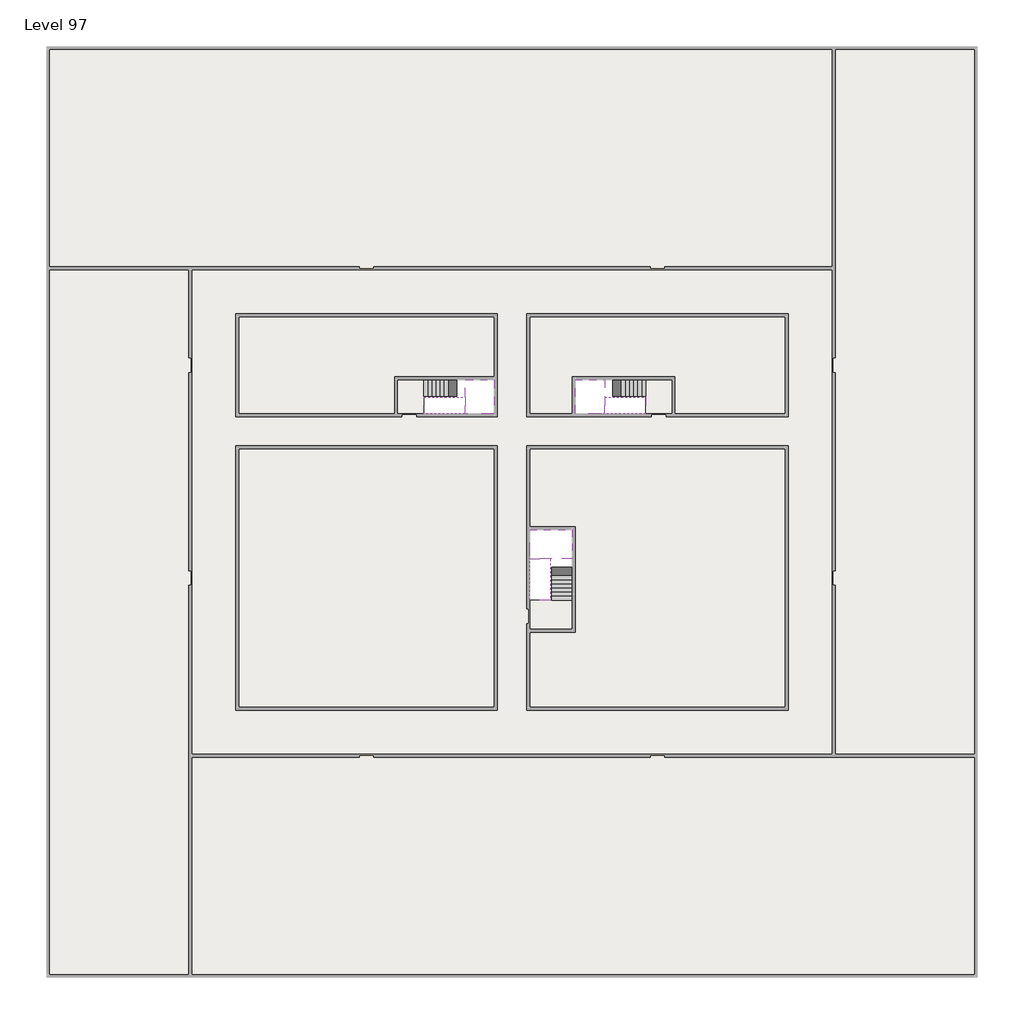
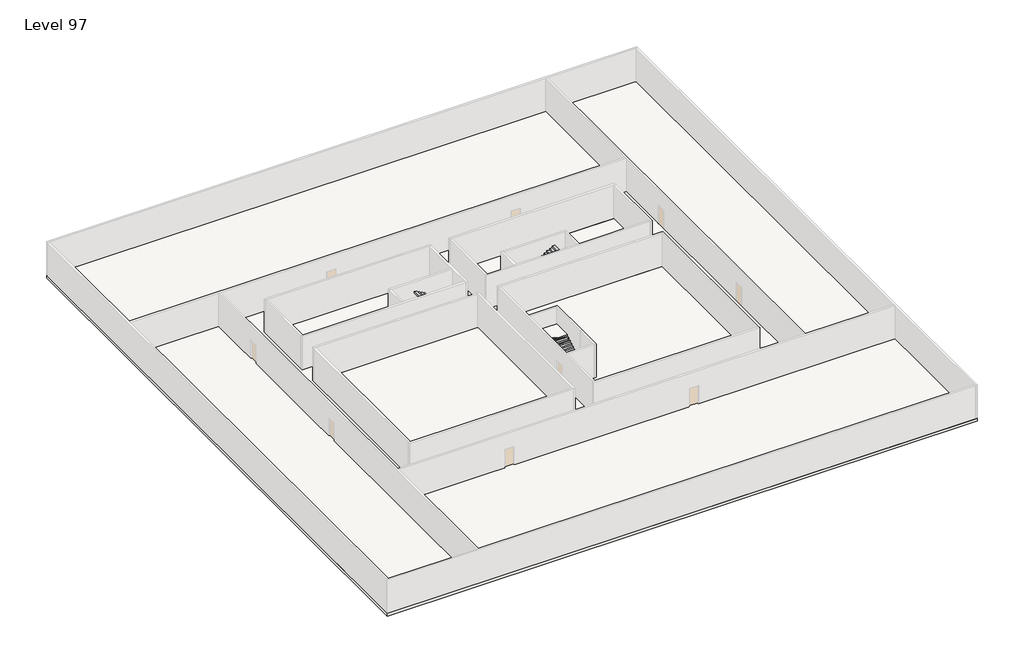
# One storey, part 2 of 2: 6 slabs, 6 stair flights.
"""IFC4 building model written with IfcOpenShell, lengths in millimetres."""

import ifcopenshell
import ifcopenshell.guid

model = None  # the IFC model being written
_history = None  # IfcOwnerHistory: only IFC2X3 demands one
_inside = {}  # id of a spatial element -> (the spatial element, [elements in it])
_under = {}  # id of a project, library or spatial element -> (it, [spatial elements below it])
_declared = {}  # id of a project -> (the project, [libraries it declares])
_typed = {}  # id of a type object -> (the type object, [elements of that type])
_made_of = {}  # id of a material, layer set ... -> (it, [elements and type objects made of it])


def new_model(schema):
    """Start an empty IFC model of exactly this schema.

    Asked for "IFC4X3", IfcOpenShell would pick the latest addendum, in which some entities
    have other attributes; the version numbers below select the first issue.
    IFC2X3 requires an IfcOwnerHistory on every rooted entity: one is made here for all.
    """
    global model, _history
    if schema == "IFC4X3":
        model = ifcopenshell.file(schema_version=(4, 3, 0, 0))
    else:
        model = ifcopenshell.file(schema=schema)
    _inside.clear()
    _under.clear()
    _declared.clear()
    _typed.clear()
    _made_of.clear()
    _history = None
    if model.schema == "IFC2X3":
        org = make("IfcOrganization", Name="unknown")
        user = make(
            "IfcPersonAndOrganization",
            ThePerson=make("IfcPerson", FamilyName="unknown"),
            TheOrganization=org,
        )
        app = make(
            "IfcApplication",
            ApplicationDeveloper=org,
            Version="unknown",
            ApplicationFullName="unknown",
            ApplicationIdentifier="unknown",
        )
        _history = make(
            "IfcOwnerHistory",
            OwningUser=user,
            OwningApplication=app,
            ChangeAction="ADDED",
            CreationDate=0,
        )
    return model


def make(cls, **values):
    """One entity of the class cls with the attributes given. An attribute that is None is left unset."""
    return model.create_entity(
        cls, **{name: value for name, value in values.items() if value is not None}
    )


def rooted(cls, **values):
    """An entity with a GlobalId (a new one), such as an element, a storey or a relation."""
    return make(cls, GlobalId=ifcopenshell.guid.new(), OwnerHistory=_history, **values)


def si_unit(unit_type, name, prefix=None):
    """IfcSIUnit, for example si_unit("LENGTHUNIT", "METRE", prefix="MILLI")."""
    return make("IfcSIUnit", UnitType=unit_type, Prefix=prefix, Name=name)


def assignment(units):
    """IfcUnitAssignment: the units of a project."""
    return None if units is None else make("IfcUnitAssignment", Units=units)


def point(xyz):
    """IfcCartesianPoint."""
    return None if xyz is None else make("IfcCartesianPoint", Coordinates=xyz)


def direction(xyz):
    """IfcDirection."""
    return None if xyz is None else make("IfcDirection", DirectionRatios=xyz)


def frame(location, z_axis=None, x_axis=None):
    """IfcAxis2Placement3D, a coordinate frame: its origin and axes. An axis left out is left unset."""
    return make(
        "IfcAxis2Placement3D",
        Location=point(location),
        Axis=direction(z_axis),
        RefDirection=direction(x_axis),
    )


def origin():
    """The frame at (0, 0, 0) with its axes left unset."""
    return frame((0.0, 0.0, 0.0))


def place(relative_to, where):
    """IfcLocalPlacement: puts the frame where relative to a parent placement (None: the world)."""
    return make(
        "IfcLocalPlacement", PlacementRelTo=relative_to, RelativePlacement=where
    )


def context(
    kind, dimensions, precision=None, world=None, true_north=None, identifier=None
):
    """IfcGeometricRepresentationContext, for example the 3D "Model" context."""
    return make(
        "IfcGeometricRepresentationContext",
        ContextIdentifier=identifier,
        ContextType=kind,
        CoordinateSpaceDimension=dimensions,
        Precision=precision,
        WorldCoordinateSystem=world,
        TrueNorth=true_north,
    )


def project(units=None, contexts=None):
    """IfcProject with its units and contexts."""
    return rooted(
        "IfcProject",
        Name="project",
        RepresentationContexts=contexts,
        UnitsInContext=assignment(units),
    )


def spatial(cls, under=None, at=None, **own):
    """A site, building, storey or space (cls), placed at a placement, below another one or the project."""
    s = rooted(cls, ObjectPlacement=at, **own)
    if under is not None:
        _under.setdefault(under.id(), (under, []))[1].append(s)
    return s


def polyline(points):
    """IfcPolyline through the points."""
    return make("IfcPolyline", Points=[point(p) for p in points])


def outline(outer, holes=None, kind="AREA"):
    """IfcArbitraryClosedProfileDef: a profile drawn as a closed curve; with holes, ...WithVoids."""
    if holes is None:
        return make("IfcArbitraryClosedProfileDef", ProfileType=kind, OuterCurve=outer)
    return make(
        "IfcArbitraryProfileDefWithVoids",
        ProfileType=kind,
        OuterCurve=outer,
        InnerCurves=holes,
    )


def extrude(swept, where, along, depth):
    """IfcExtrudedAreaSolid: the profile swept, set in the frame where, extruded along a direction by depth."""
    return make(
        "IfcExtrudedAreaSolid",
        SweptArea=swept,
        Position=where,
        ExtrudedDirection=direction(along),
        Depth=depth,
    )


def faces_of(points, faces, orient=None, outer=None):
    """IfcFace entities. A face is a list of loops; a loop is a list of indices into points, from 0.

    orient and outer hold one flag for each loop. By default every Orientation is true, the
    first loop of a face is its IfcFaceOuterBound and the others are IfcFaceBound.
    """
    made = []
    for i, loops in enumerate(faces):
        bounds = []
        for j, loop in enumerate(loops):
            is_outer = j == 0 if outer is None else outer[i][j]
            bounds.append(
                make(
                    "IfcFaceOuterBound" if is_outer else "IfcFaceBound",
                    Bound=make("IfcPolyLoop", Polygon=[points[k] for k in loop]),
                    Orientation=True if orient is None else orient[i][j],
                )
            )
        made.append(make("IfcFace", Bounds=bounds))
    return made


def faceted_brep(points, faces, orient=None, outer=None, voids=None):
    """IfcFacetedBrep: a solid bounded by flat faces; with voids (closed shells), ...WithVoids."""
    shared = [point(p) for p in points]
    hull = make("IfcClosedShell", CfsFaces=faces_of(shared, faces, orient, outer))
    if voids is None:
        return make("IfcFacetedBrep", Outer=hull)
    return make(
        "IfcFacetedBrepWithVoids",
        Outer=hull,
        Voids=[
            make(cls, CfsFaces=faces_of(shared, fs, o, b)) for cls, fs, o, b in voids
        ],
    )


def shape(context_of_items, identifier, shape_type, items):
    """IfcShapeRepresentation: the items that make up one representation, for example the "Body"."""
    return make(
        "IfcShapeRepresentation",
        ContextOfItems=context_of_items,
        RepresentationIdentifier=identifier,
        RepresentationType=shape_type,
        Items=items,
    )


def made_of(thing, what):
    """Note that an element or type object is made of a material, layer set ...; save() writes the relation."""
    if what is not None:
        _made_of.setdefault(what.id(), (what, []))[1].append(thing)
    return thing


def element(
    cls,
    number,
    at=None,
    inside=None,
    cuts=None,
    type_object=None,
    material=None,
    context=None,
    identifier="Body",
    shape_type=None,
    held_by="IfcProductDefinitionShape",
    body=None,
    shapes=None,
    **own,
):
    """One element of the class cls, such as IfcWall. Its Tag is "e" and its number.

    at: its placement. inside: the storey or other place that contains it. cuts: it is an
    opening in that element (IfcRelVoidsElement). A single representation is given by context,
    identifier, shape_type and body (its items); several are given by shapes. held_by: the class
    of the entity that holds the representations. save() writes the other relations.
    """
    e = rooted(cls, Tag="e%d" % number, ObjectPlacement=at, **own)
    if body is not None:
        shapes = [shape(context, identifier, shape_type, body)]
    if shapes is not None:
        e.Representation = make(held_by, Representations=shapes)
    if inside is not None:
        _inside.setdefault(inside.id(), (inside, []))[1].append(e)
    if cuts is not None:
        rooted(
            "IfcRelVoidsElement", RelatingBuildingElement=cuts, RelatedOpeningElement=e
        )
    if type_object is not None:
        _typed.setdefault(type_object.id(), (type_object, []))[1].append(e)
    return made_of(e, material)


def aggregate(whole, parts):
    """IfcRelAggregates: a whole, such as a stair, and the parts it consists of."""
    return rooted("IfcRelAggregates", RelatingObject=whole, RelatedObjects=parts)


def save(model, path):
    """Write the relations noted so far, then the file.

    IfcRelAggregates (storeys below a building ...), IfcRelContainedInSpatialStructure (elements
    in a storey), IfcRelDefinesByType, IfcRelAssociatesMaterial and IfcRelDeclares: one each for
    every whole, place, type object, material and project.
    """
    for whole, parts in _under.values():
        aggregate(whole, parts)
    for where, things in _inside.values():
        rooted(
            "IfcRelContainedInSpatialStructure",
            RelatedElements=things,
            RelatingStructure=where,
        )
    for kind, things in _typed.values():
        rooted("IfcRelDefinesByType", RelatedObjects=things, RelatingType=kind)
    for what, things in _made_of.values():
        rooted("IfcRelAssociatesMaterial", RelatedObjects=things, RelatingMaterial=what)
    for by, libraries in _declared.values():
        rooted("IfcRelDeclares", RelatingContext=by, RelatedDefinitions=libraries)
    model.write(path)


model = new_model("IFC4")

# Units and contexts
model_context = context("Model", 3, world=origin())
ifc_project = project(units=[si_unit("LENGTHUNIT", "METRE", prefix="MILLI")], contexts=[model_context])

# Site, building, storey
site = spatial("IfcSite", under=ifc_project)
building = spatial("IfcBuilding", under=site)
storey = spatial("IfcBuildingStorey", under=building, Name="Level 97", Elevation=364800.0)

# Slabs
placement = place(None, origin())
element("IfcSlab", 1, at=placement, inside=storey, context=model_context, shape_type="SweptSolid", body=[
    extrude(outline(polyline([(55890.1058784, -5518.09644), (55890.1058784, -68918.09644), (-7509.8941216, -68918.09644), (-7509.8941216, -5518.09644), (55890.1058784, -5518.09644)]), holes=[polyline([(22990.1058784, -23918.09644), (5590.1058784, -23918.09644), (5590.1058784, -30518.09644), (22990.1058784, -30518.09644), (22990.1058784, -23918.09644)]), polyline([(42990.1058784, -23918.09644), (25390.1058784, -23918.09644), (25390.1058784, -30518.09644), (42990.1058784, -30518.09644), (42990.1058784, -23918.09644)]), polyline([(25390.1058784, -50518.09644), (42790.1058784, -50518.09644), (42790.1058784, -32918.09644), (25390.1058784, -32918.09644), (25390.1058784, -50518.09644)]), polyline([(22990.1058784, -32918.09644), (5590.1058784, -32918.09644), (5590.1058784, -50518.09644), (22990.1058784, -50518.09644), (22990.1058784, -32918.09644)])]), frame((0.0, 0.0, 364500.0), z_axis=(0.0, 0.0, 1.0), x_axis=(1.0, 0.0, 0.0)), (0.0, 0.0, 1.0), 300.0),
])
element("IfcSlab", 2, at=placement, inside=storey, context=model_context, shape_type="SweptSolid", body=[
    extrude(outline(polyline([(22990.1058784, -23918.09644), (22990.1058784, -28018.09644), (16190.1058784, -28018.09644), (16190.1058784, -30518.09644), (5590.1058784, -30518.09644), (5590.1058784, -23918.09644), (22990.1058784, -23918.09644)])), frame((0.0, 0.0, 364500.0), z_axis=(0.0, 0.0, 1.0), x_axis=(1.0, 0.0, 0.0)), (0.0, 0.0, 1.0), 300.0),
    extrude(outline(polyline([(42790.1058784, -23918.09644), (42790.1058784, -30518.09644), (35290.1058784, -30518.09644), (35290.1058784, -28018.09644), (28490.1058784, -28018.09644), (28490.1058784, -30518.09644), (25390.1058784, -30518.09644), (25390.1058784, -23918.09644), (42790.1058784, -23918.09644)])), frame((0.0, 0.0, 364500.0), z_axis=(0.0, 0.0, 1.0), x_axis=(1.0, 0.0, 0.0)), (0.0, 0.0, 1.0), 300.0),
    extrude(outline(polyline([(22990.1058784, -32918.09644), (22990.1058784, -50518.09644), (5590.1058784, -50518.09644), (5590.1058784, -32918.09644), (22990.1058784, -32918.09644)])), frame((0.0, 0.0, 364500.0), z_axis=(0.0, 0.0, 1.0), x_axis=(1.0, 0.0, 0.0)), (0.0, 0.0, 1.0), 300.0),
    extrude(outline(polyline([(25390.1058784, -38218.09644), (25390.1058784, -32918.09644), (42790.1058784, -32918.09644), (42790.1058784, -50518.09644), (25390.1058784, -50518.09644), (25390.1058784, -45418.09644), (28490.1058784, -45418.09644), (28490.1058784, -38218.09644), (25390.1058784, -38218.09644)])), frame((0.0, 0.0, 364500.0), z_axis=(0.0, 0.0, 1.0), x_axis=(1.0, 0.0, 0.0)), (0.0, 0.0, 1.0), 300.0),
])
element("IfcSlab", 3, at=placement, inside=storey, context=model_context, shape_type="Brep", body=[
    faceted_brep([(26890.1058784, -40418.09644, 366700.0), (28290.1058784, -40418.09644, 366700.0), (28290.1058784, -40338.7100038, 366700.0), (28290.1058784, -38418.09644, 366700.0), (25390.1058784, -38418.09644, 366700.0), (25390.1058784, -40217.4828763, 366700.0), (25390.1058784, -40418.09644, 366700.0), (26790.1058784, -40418.09644, 366700.0), (26890.1058784, -40418.09644, 366400.0), (26890.1058784, -40418.09644, 366351.0278478), (28290.1058784, -40418.09644, 366351.0278478), (28290.1058784, -40418.09644, 366527.2727273), (28290.1058784, -40338.7100038, 366400.0), (28290.1058784, -38418.09644, 366400.0), (25390.1058784, -38418.09644, 366400.0), (25390.1058784, -40217.4828763, 366400.0), (25390.1058784, -40418.09644, 366523.7551205), (26790.1058784, -40418.09644, 366523.7551205), (26790.1058784, -40418.09644, 366400.0), (26790.1058784, -40217.4828763, 366400.0), (26890.1058784, -40338.7100038, 366400.0)], [[[0, 1, 2, 3, 4, 5, 6, 7]], [[1, 0, 8, 9, 10, 11]], [[1, 11, 10, 12, 13, 3, 2]], [[4, 3, 13, 14]], [[4, 14, 15, 16, 6, 5]], [[7, 6, 16, 17]], [[0, 7, 17, 18, 8]], [[18, 19, 15, 14, 13, 12, 20, 8]], [[19, 18, 17]], [[20, 12, 10, 9]], [[8, 20, 9]], [[15, 19, 17, 16]]]),
])
element("IfcSlab", 4, at=placement, inside=storey, context=model_context, shape_type="Brep", body=[
    faceted_brep([(20990.1058784, -28218.09644, 366700.0), (20990.1058784, -29318.09644, 366700.0), (20990.1058784, -29418.09644, 366700.0), (20990.1058784, -30518.09644, 366700.0), (21190.7194421, -30518.09644, 366700.0), (22990.1058784, -30518.09644, 366700.0), (22990.1058784, -28218.09644, 366700.0), (21069.4923146, -28218.09644, 366700.0), (20990.1058784, -28218.09644, 366527.2727273), (20990.1058784, -28218.09644, 366351.0278478), (20990.1058784, -29318.09644, 366351.0278478), (20990.1058784, -29318.09644, 366400.0), (20990.1058784, -29418.09644, 366400.0), (20990.1058784, -29418.09644, 366523.7551205), (20990.1058784, -30518.09644, 366523.7551205), (21190.7194421, -30518.09644, 366400.0), (22990.1058784, -30518.09644, 366400.0), (22990.1058784, -28218.09644, 366400.0), (21069.4923146, -28218.09644, 366400.0), (21190.7194421, -29418.09644, 366400.0), (21069.4923146, -29318.09644, 366400.0)], [[[0, 1, 2, 3, 4, 5, 6, 7]], [[1, 0, 8, 9, 10, 11]], [[2, 1, 11, 12, 13]], [[3, 2, 13, 14]], [[3, 14, 15, 16, 5, 4]], [[6, 5, 16, 17]], [[9, 8, 0, 7, 6, 17, 18]], [[19, 12, 11, 20, 18, 17, 16, 15]], [[12, 19, 13]], [[18, 20, 10, 9]], [[20, 11, 10]], [[19, 15, 14, 13]]]),
])
element("IfcSlab", 5, at=placement, inside=storey, context=model_context, shape_type="Brep", body=[
    faceted_brep([(30490.1058784, -29318.09644, 366700.0), (30490.1058784, -28218.09644, 366700.0), (30410.7194421, -28218.09644, 366700.0), (28490.1058784, -28218.09644, 366700.0), (28490.1058784, -30518.09644, 366700.0), (30289.4923146, -30518.09644, 366700.0), (30490.1058784, -30518.09644, 366700.0), (30490.1058784, -29418.09644, 366700.0), (30490.1058784, -29318.09644, 366400.0), (30490.1058784, -29318.09644, 366351.0278478), (30490.1058784, -28218.09644, 366351.0278478), (30490.1058784, -28218.09644, 366527.2727273), (30490.1058784, -29418.09644, 366523.7551205), (30490.1058784, -29418.09644, 366400.0), (30490.1058784, -30518.09644, 366523.7551205), (28490.1058784, -30518.09644, 366400.0), (30289.4923146, -30518.09644, 366400.0), (28490.1058784, -28218.09644, 366400.0), (30410.7194421, -28218.09644, 366400.0), (30289.4923146, -29418.09644, 366400.0), (30410.7194421, -29318.09644, 366400.0)], [[[0, 1, 2, 3, 4, 5, 6, 7]], [[1, 0, 8, 9, 10, 11]], [[0, 7, 12, 13, 8]], [[7, 6, 14, 12]], [[4, 15, 16, 14, 6, 5]], [[4, 3, 17, 15]], [[1, 11, 10, 18, 17, 3, 2]], [[13, 19, 16, 15, 17, 18, 20, 8]], [[20, 18, 10, 9]], [[8, 20, 9]], [[16, 19, 12, 14]], [[19, 13, 12]]]),
])
element("IfcSlab", 6, at=placement, inside=storey, context=model_context, shape_type="SweptSolid", body=[
    extrude(outline(polyline([(35090.1058784, -28218.09644), (35090.1058784, -30518.09644), (33290.1058784, -30518.09644), (33290.1058784, -28218.09644), (35090.1058784, -28218.09644)])), frame((0.0, 0.0, 364500.0), z_axis=(0.0, 0.0, 1.0), x_axis=(1.0, 0.0, 0.0)), (0.0, 0.0, 1.0), 300.0),
    extrude(outline(polyline([(18190.1058784, -28218.09644), (18190.1058784, -30518.09644), (16390.1058784, -30518.09644), (16390.1058784, -28218.09644), (18190.1058784, -28218.09644)])), frame((0.0, 0.0, 364500.0), z_axis=(0.0, 0.0, 1.0), x_axis=(1.0, 0.0, 0.0)), (0.0, 0.0, 1.0), 300.0),
    extrude(outline(polyline([(28290.1058784, -43218.09644), (28290.1058784, -45218.09644), (25390.1058784, -45218.09644), (25390.1058784, -43218.09644), (28290.1058784, -43218.09644)])), frame((0.0, 0.0, 364500.0), z_axis=(0.0, 0.0, 1.0), x_axis=(1.0, 0.0, 0.0)), (0.0, 0.0, 1.0), 300.0),
])

# Stair flights
element("IfcStairFlight", 7, at=placement, inside=storey, context=model_context, shape_type="Brep", body=[
    faceted_brep([(26890.1058784, -42938.09644, 364972.7272727), (26890.1058784, -43218.09644, 364972.7272727), (28290.1058784, -43218.09644, 364972.7272727), (28290.1058784, -42938.09644, 364972.7272727), (26890.1058784, -42938.09644, 364800.0), (26890.1058784, -43218.09644, 364800.0), (28290.1058784, -43218.09644, 364800.0), (28290.1058784, -42938.09644, 364800.0), (26890.1058784, -42658.09644, 365145.4545455), (26890.1058784, -42938.09644, 365145.4545455), (28290.1058784, -42938.09644, 365145.4545455), (28290.1058784, -42658.09644, 365145.4545455), (26890.1058784, -42658.09644, 364969.209666), (26890.1058784, -42932.3942143, 364800.0), (28290.1058784, -42932.3942143, 364800.0), (28290.1058784, -42658.09644, 364969.209666), (26890.1058784, -42378.09644, 365318.1818182), (26890.1058784, -42658.09644, 365318.1818182), (28290.1058784, -42658.09644, 365318.1818182), (28290.1058784, -42378.09644, 365318.1818182), (26890.1058784, -42378.09644, 365141.9369387), (28290.1058784, -42378.09644, 365141.9369387), (26890.1058784, -42098.09644, 365490.9090909), (26890.1058784, -42378.09644, 365490.9090909), (28290.1058784, -42378.09644, 365490.9090909), (28290.1058784, -42098.09644, 365490.9090909), (26890.1058784, -42098.09644, 365314.6642114), (28290.1058784, -42098.09644, 365314.6642114), (26890.1058784, -41818.09644, 365663.6363636), (26890.1058784, -42098.09644, 365663.6363636), (28290.1058784, -42098.09644, 365663.6363636), (28290.1058784, -41818.09644, 365663.6363636), (26890.1058784, -41818.09644, 365487.3914841), (28290.1058784, -41818.09644, 365487.3914841), (26890.1058784, -41538.09644, 365836.3636364), (26890.1058784, -41818.09644, 365836.3636364), (28290.1058784, -41818.09644, 365836.3636364), (28290.1058784, -41538.09644, 365836.3636364), (26890.1058784, -41538.09644, 365660.1187569), (28290.1058784, -41538.09644, 365660.1187569), (26890.1058784, -41258.09644, 366009.0909091), (26890.1058784, -41538.09644, 366009.0909091), (28290.1058784, -41538.09644, 366009.0909091), (28290.1058784, -41258.09644, 366009.0909091), (26890.1058784, -41258.09644, 365832.8460296), (28290.1058784, -41258.09644, 365832.8460296), (26890.1058784, -40978.09644, 366181.8181818), (26890.1058784, -41258.09644, 366181.8181818), (28290.1058784, -41258.09644, 366181.8181818), (28290.1058784, -40978.09644, 366181.8181818), (26890.1058784, -40978.09644, 366005.5733023), (28290.1058784, -40978.09644, 366005.5733023), (26890.1058784, -40698.09644, 366354.5454545), (26890.1058784, -40978.09644, 366354.5454545), (28290.1058784, -40978.09644, 366354.5454545), (28290.1058784, -40698.09644, 366354.5454545), (26890.1058784, -40698.09644, 366178.3005751), (28290.1058784, -40698.09644, 366178.3005751), (26890.1058784, -40418.09644, 366527.2727273), (26890.1058784, -40698.09644, 366527.2727273), (28290.1058784, -40698.09644, 366527.2727273), (28290.1058784, -40418.09644, 366527.2727273), (26890.1058784, -40418.09644, 366400.0), (26890.1058784, -40418.09644, 366351.0278478), (28290.1058784, -40418.09644, 366351.0278478)], [[[0, 1, 2, 3]], [[1, 0, 4, 5]], [[2, 1, 5, 6]], [[3, 2, 6, 7]], [[8, 9, 10, 11]], [[4, 0, 9, 8, 12, 13]], [[0, 3, 10, 9]], [[3, 7, 14, 15, 11, 10]], [[16, 17, 18, 19]], [[17, 16, 20, 12, 8]], [[8, 11, 18, 17]], [[19, 18, 11, 15, 21]], [[22, 23, 24, 25]], [[23, 22, 26, 20, 16]], [[16, 19, 24, 23]], [[25, 24, 19, 21, 27]], [[28, 29, 30, 31]], [[29, 28, 32, 26, 22]], [[22, 25, 30, 29]], [[31, 30, 25, 27, 33]], [[34, 35, 36, 37]], [[35, 34, 38, 32, 28]], [[28, 31, 36, 35]], [[37, 36, 31, 33, 39]], [[40, 41, 42, 43]], [[41, 40, 44, 38, 34]], [[34, 37, 42, 41]], [[43, 42, 37, 39, 45]], [[46, 47, 48, 49]], [[47, 46, 50, 44, 40]], [[40, 43, 48, 47]], [[49, 48, 43, 45, 51]], [[52, 53, 54, 55]], [[53, 52, 56, 50, 46]], [[46, 49, 54, 53]], [[55, 54, 49, 51, 57]], [[58, 59, 60, 61]], [[59, 58, 62, 63, 56, 52]], [[52, 55, 60, 59]], [[61, 60, 55, 57, 64]], [[58, 61, 64, 63, 62]], [[5, 4, 13, 14, 7, 6]], [[14, 13, 12, 20, 26, 32, 38, 44, 50, 56, 63, 64, 57, 51, 45, 39, 33, 27, 21, 15]]]),
])
element("IfcStairFlight", 8, at=placement, inside=storey, context=model_context, shape_type="Brep", body=[
    faceted_brep([(26790.1058784, -40698.09644, 366872.7272727), (26790.1058784, -40418.09644, 366872.7272727), (25390.1058784, -40418.09644, 366872.7272727), (25390.1058784, -40698.09644, 366872.7272727), (26790.1058784, -40698.09644, 366696.4823932), (26790.1058784, -40418.09644, 366523.7551205), (25390.1058784, -40418.09644, 366523.7551205), (25390.1058784, -40418.09644, 366700.0), (25390.1058784, -40698.09644, 366696.4823932), (26790.1058784, -40978.09644, 367045.4545455), (26790.1058784, -40698.09644, 367045.4545455), (25390.1058784, -40698.09644, 367045.4545455), (25390.1058784, -40978.09644, 367045.4545455), (26790.1058784, -40978.09644, 366869.209666), (25390.1058784, -40978.09644, 366869.209666), (26790.1058784, -41258.09644, 367218.1818182), (26790.1058784, -40978.09644, 367218.1818182), (25390.1058784, -40978.09644, 367218.1818182), (25390.1058784, -41258.09644, 367218.1818182), (26790.1058784, -41258.09644, 367041.9369387), (25390.1058784, -41258.09644, 367041.9369387), (26790.1058784, -41538.09644, 367390.9090909), (26790.1058784, -41258.09644, 367390.9090909), (25390.1058784, -41258.09644, 367390.9090909), (25390.1058784, -41538.09644, 367390.9090909), (26790.1058784, -41538.09644, 367214.6642114), (25390.1058784, -41538.09644, 367214.6642114), (26790.1058784, -41818.09644, 367563.6363636), (26790.1058784, -41538.09644, 367563.6363636), (25390.1058784, -41538.09644, 367563.6363636), (25390.1058784, -41818.09644, 367563.6363636), (26790.1058784, -41818.09644, 367387.3914841), (25390.1058784, -41818.09644, 367387.3914841), (26790.1058784, -42098.09644, 367736.3636364), (26790.1058784, -41818.09644, 367736.3636364), (25390.1058784, -41818.09644, 367736.3636364), (25390.1058784, -42098.09644, 367736.3636364), (26790.1058784, -42098.09644, 367560.1187569), (25390.1058784, -42098.09644, 367560.1187569), (26790.1058784, -42378.09644, 367909.0909091), (26790.1058784, -42098.09644, 367909.0909091), (25390.1058784, -42098.09644, 367909.0909091), (25390.1058784, -42378.09644, 367909.0909091), (26790.1058784, -42378.09644, 367732.8460296), (25390.1058784, -42378.09644, 367732.8460296), (26790.1058784, -42658.09644, 368081.8181818), (26790.1058784, -42378.09644, 368081.8181818), (25390.1058784, -42378.09644, 368081.8181818), (25390.1058784, -42658.09644, 368081.8181818), (26790.1058784, -42658.09644, 367905.5733023), (25390.1058784, -42658.09644, 367905.5733023), (26790.1058784, -42938.09644, 368254.5454545), (26790.1058784, -42658.09644, 368254.5454545), (25390.1058784, -42658.09644, 368254.5454545), (25390.1058784, -42938.09644, 368254.5454545), (26790.1058784, -42938.09644, 368078.3005751), (25390.1058784, -42938.09644, 368078.3005751), (26790.1058784, -43218.09644, 368427.2727273), (26790.1058784, -42938.09644, 368427.2727273), (25390.1058784, -42938.09644, 368427.2727273), (25390.1058784, -43218.09644, 368427.2727273), (26790.1058784, -43218.09644, 368251.0278478), (25390.1058784, -43218.09644, 368251.0278478)], [[[0, 1, 2, 3]], [[1, 0, 4, 5]], [[2, 1, 5, 6, 7]], [[3, 2, 7, 6, 8]], [[9, 10, 11, 12]], [[10, 9, 13, 4, 0]], [[11, 10, 0, 3]], [[12, 11, 3, 8, 14]], [[15, 16, 17, 18]], [[16, 15, 19, 13, 9]], [[17, 16, 9, 12]], [[18, 17, 12, 14, 20]], [[21, 22, 23, 24]], [[22, 21, 25, 19, 15]], [[23, 22, 15, 18]], [[24, 23, 18, 20, 26]], [[27, 28, 29, 30]], [[28, 27, 31, 25, 21]], [[29, 28, 21, 24]], [[30, 29, 24, 26, 32]], [[33, 34, 35, 36]], [[34, 33, 37, 31, 27]], [[35, 34, 27, 30]], [[36, 35, 30, 32, 38]], [[39, 40, 41, 42]], [[40, 39, 43, 37, 33]], [[41, 40, 33, 36]], [[42, 41, 36, 38, 44]], [[45, 46, 47, 48]], [[46, 45, 49, 43, 39]], [[47, 46, 39, 42]], [[48, 47, 42, 44, 50]], [[51, 52, 53, 54]], [[52, 51, 55, 49, 45]], [[53, 52, 45, 48]], [[54, 53, 48, 50, 56]], [[57, 58, 59, 60]], [[58, 57, 61, 55, 51]], [[59, 58, 51, 54]], [[60, 59, 54, 56, 62]], [[57, 60, 62, 61]], [[5, 4, 13, 19, 25, 31, 37, 43, 49, 55, 61, 62, 56, 50, 44, 38, 32, 26, 20, 14, 8, 6]]]),
])
element("IfcStairFlight", 9, at=placement, inside=storey, context=model_context, shape_type="Brep", body=[
    faceted_brep([(18470.1058784, -28218.09644, 364972.7272727), (18190.1058784, -28218.09644, 364972.7272727), (18190.1058784, -29318.09644, 364972.7272727), (18470.1058784, -29318.09644, 364972.7272727), (18470.1058784, -28218.09644, 364800.0), (18190.1058784, -28218.09644, 364800.0), (18190.1058784, -29318.09644, 364800.0), (18470.1058784, -29318.09644, 364800.0), (18750.1058784, -28218.09644, 365145.4545455), (18470.1058784, -28218.09644, 365145.4545455), (18470.1058784, -29318.09644, 365145.4545455), (18750.1058784, -29318.09644, 365145.4545455), (18750.1058784, -28218.09644, 364969.209666), (18475.8081041, -28218.09644, 364800.0), (18475.8081041, -29318.09644, 364800.0), (18750.1058784, -29318.09644, 364969.209666), (19030.1058784, -28218.09644, 365318.1818182), (18750.1058784, -28218.09644, 365318.1818182), (18750.1058784, -29318.09644, 365318.1818182), (19030.1058784, -29318.09644, 365318.1818182), (19030.1058784, -28218.09644, 365141.9369387), (19030.1058784, -29318.09644, 365141.9369387), (19310.1058784, -28218.09644, 365490.9090909), (19030.1058784, -28218.09644, 365490.9090909), (19030.1058784, -29318.09644, 365490.9090909), (19310.1058784, -29318.09644, 365490.9090909), (19310.1058784, -28218.09644, 365314.6642114), (19310.1058784, -29318.09644, 365314.6642114), (19590.1058784, -28218.09644, 365663.6363636), (19310.1058784, -28218.09644, 365663.6363636), (19310.1058784, -29318.09644, 365663.6363636), (19590.1058784, -29318.09644, 365663.6363636), (19590.1058784, -28218.09644, 365487.3914841), (19590.1058784, -29318.09644, 365487.3914841), (19870.1058784, -28218.09644, 365836.3636364), (19590.1058784, -28218.09644, 365836.3636364), (19590.1058784, -29318.09644, 365836.3636364), (19870.1058784, -29318.09644, 365836.3636364), (19870.1058784, -28218.09644, 365660.1187569), (19870.1058784, -29318.09644, 365660.1187569), (20150.1058784, -28218.09644, 366009.0909091), (19870.1058784, -28218.09644, 366009.0909091), (19870.1058784, -29318.09644, 366009.0909091), (20150.1058784, -29318.09644, 366009.0909091), (20150.1058784, -28218.09644, 365832.8460296), (20150.1058784, -29318.09644, 365832.8460296), (20430.1058784, -28218.09644, 366181.8181818), (20150.1058784, -28218.09644, 366181.8181818), (20150.1058784, -29318.09644, 366181.8181818), (20430.1058784, -29318.09644, 366181.8181818), (20430.1058784, -28218.09644, 366005.5733023), (20430.1058784, -29318.09644, 366005.5733023), (20710.1058784, -28218.09644, 366354.5454545), (20430.1058784, -28218.09644, 366354.5454545), (20430.1058784, -29318.09644, 366354.5454545), (20710.1058784, -29318.09644, 366354.5454545), (20710.1058784, -28218.09644, 366178.3005751), (20710.1058784, -29318.09644, 366178.3005751), (20990.1058784, -28218.09644, 366527.2727273), (20710.1058784, -28218.09644, 366527.2727273), (20710.1058784, -29318.09644, 366527.2727273), (20990.1058784, -29318.09644, 366527.2727273), (20990.1058784, -28218.09644, 366351.0278478), (20990.1058784, -29318.09644, 366351.0278478), (20990.1058784, -29318.09644, 366400.0)], [[[0, 1, 2, 3]], [[1, 0, 4, 5]], [[2, 1, 5, 6]], [[3, 2, 6, 7]], [[8, 9, 10, 11]], [[4, 0, 9, 8, 12, 13]], [[0, 3, 10, 9]], [[3, 7, 14, 15, 11, 10]], [[16, 17, 18, 19]], [[17, 16, 20, 12, 8]], [[8, 11, 18, 17]], [[19, 18, 11, 15, 21]], [[22, 23, 24, 25]], [[23, 22, 26, 20, 16]], [[16, 19, 24, 23]], [[25, 24, 19, 21, 27]], [[28, 29, 30, 31]], [[29, 28, 32, 26, 22]], [[22, 25, 30, 29]], [[31, 30, 25, 27, 33]], [[34, 35, 36, 37]], [[35, 34, 38, 32, 28]], [[28, 31, 36, 35]], [[37, 36, 31, 33, 39]], [[40, 41, 42, 43]], [[41, 40, 44, 38, 34]], [[34, 37, 42, 41]], [[43, 42, 37, 39, 45]], [[46, 47, 48, 49]], [[47, 46, 50, 44, 40]], [[40, 43, 48, 47]], [[49, 48, 43, 45, 51]], [[52, 53, 54, 55]], [[53, 52, 56, 50, 46]], [[46, 49, 54, 53]], [[55, 54, 49, 51, 57]], [[58, 59, 60, 61]], [[59, 58, 62, 56, 52]], [[52, 55, 60, 59]], [[61, 60, 55, 57, 63, 64]], [[58, 61, 64, 63, 62]], [[5, 4, 13, 14, 7, 6]], [[14, 13, 12, 20, 26, 32, 38, 44, 50, 56, 62, 63, 57, 51, 45, 39, 33, 27, 21, 15]]]),
])
element("IfcStairFlight", 10, at=placement, inside=storey, context=model_context, shape_type="Brep", body=[
    faceted_brep([(20710.1058784, -30518.09644, 366872.7272727), (20990.1058784, -30518.09644, 366872.7272727), (20990.1058784, -29418.09644, 366872.7272727), (20710.1058784, -29418.09644, 366872.7272727), (20710.1058784, -30518.09644, 366696.4823932), (20990.1058784, -30518.09644, 366523.7551205), (20990.1058784, -30518.09644, 366700.0), (20990.1058784, -29418.09644, 366523.7551205), (20710.1058784, -29418.09644, 366696.4823932), (20430.1058784, -30518.09644, 367045.4545455), (20710.1058784, -30518.09644, 367045.4545455), (20710.1058784, -29418.09644, 367045.4545455), (20430.1058784, -29418.09644, 367045.4545455), (20430.1058784, -30518.09644, 366869.209666), (20430.1058784, -29418.09644, 366869.209666), (20150.1058784, -30518.09644, 367218.1818182), (20430.1058784, -30518.09644, 367218.1818182), (20430.1058784, -29418.09644, 367218.1818182), (20150.1058784, -29418.09644, 367218.1818182), (20150.1058784, -30518.09644, 367041.9369387), (20150.1058784, -29418.09644, 367041.9369387), (19870.1058784, -30518.09644, 367390.9090909), (20150.1058784, -30518.09644, 367390.9090909), (20150.1058784, -29418.09644, 367390.9090909), (19870.1058784, -29418.09644, 367390.9090909), (19870.1058784, -30518.09644, 367214.6642114), (19870.1058784, -29418.09644, 367214.6642114), (19590.1058784, -30518.09644, 367563.6363636), (19870.1058784, -30518.09644, 367563.6363636), (19870.1058784, -29418.09644, 367563.6363636), (19590.1058784, -29418.09644, 367563.6363636), (19590.1058784, -30518.09644, 367387.3914841), (19590.1058784, -29418.09644, 367387.3914841), (19310.1058784, -30518.09644, 367736.3636364), (19590.1058784, -30518.09644, 367736.3636364), (19590.1058784, -29418.09644, 367736.3636364), (19310.1058784, -29418.09644, 367736.3636364), (19310.1058784, -30518.09644, 367560.1187569), (19310.1058784, -29418.09644, 367560.1187569), (19030.1058784, -30518.09644, 367909.0909091), (19310.1058784, -30518.09644, 367909.0909091), (19310.1058784, -29418.09644, 367909.0909091), (19030.1058784, -29418.09644, 367909.0909091), (19030.1058784, -30518.09644, 367732.8460296), (19030.1058784, -29418.09644, 367732.8460296), (18750.1058784, -30518.09644, 368081.8181818), (19030.1058784, -30518.09644, 368081.8181818), (19030.1058784, -29418.09644, 368081.8181818), (18750.1058784, -29418.09644, 368081.8181818), (18750.1058784, -30518.09644, 367905.5733023), (18750.1058784, -29418.09644, 367905.5733023), (18470.1058784, -30518.09644, 368254.5454545), (18750.1058784, -30518.09644, 368254.5454545), (18750.1058784, -29418.09644, 368254.5454545), (18470.1058784, -29418.09644, 368254.5454545), (18470.1058784, -30518.09644, 368078.3005751), (18470.1058784, -29418.09644, 368078.3005751), (18190.1058784, -30518.09644, 368427.2727273), (18470.1058784, -30518.09644, 368427.2727273), (18470.1058784, -29418.09644, 368427.2727273), (18190.1058784, -29418.09644, 368427.2727273), (18190.1058784, -30518.09644, 368251.0278478), (18190.1058784, -29418.09644, 368251.0278478)], [[[0, 1, 2, 3]], [[1, 0, 4, 5, 6]], [[2, 1, 6, 5, 7]], [[3, 2, 7, 8]], [[9, 10, 11, 12]], [[10, 9, 13, 4, 0]], [[11, 10, 0, 3]], [[12, 11, 3, 8, 14]], [[15, 16, 17, 18]], [[16, 15, 19, 13, 9]], [[17, 16, 9, 12]], [[18, 17, 12, 14, 20]], [[21, 22, 23, 24]], [[22, 21, 25, 19, 15]], [[23, 22, 15, 18]], [[24, 23, 18, 20, 26]], [[27, 28, 29, 30]], [[28, 27, 31, 25, 21]], [[29, 28, 21, 24]], [[30, 29, 24, 26, 32]], [[33, 34, 35, 36]], [[34, 33, 37, 31, 27]], [[35, 34, 27, 30]], [[36, 35, 30, 32, 38]], [[39, 40, 41, 42]], [[40, 39, 43, 37, 33]], [[41, 40, 33, 36]], [[42, 41, 36, 38, 44]], [[45, 46, 47, 48]], [[46, 45, 49, 43, 39]], [[47, 46, 39, 42]], [[48, 47, 42, 44, 50]], [[51, 52, 53, 54]], [[52, 51, 55, 49, 45]], [[53, 52, 45, 48]], [[54, 53, 48, 50, 56]], [[57, 58, 59, 60]], [[58, 57, 61, 55, 51]], [[59, 58, 51, 54]], [[60, 59, 54, 56, 62]], [[57, 60, 62, 61]], [[5, 4, 13, 19, 25, 31, 37, 43, 49, 55, 61, 62, 56, 50, 44, 38, 32, 26, 20, 14, 8, 7]]]),
])
element("IfcStairFlight", 11, at=placement, inside=storey, context=model_context, shape_type="Brep", body=[
    faceted_brep([(33010.1058784, -29318.09644, 364972.7272727), (33290.1058784, -29318.09644, 364972.7272727), (33290.1058784, -28218.09644, 364972.7272727), (33010.1058784, -28218.09644, 364972.7272727), (33290.1058784, -28218.09644, 364800.0), (33010.1058784, -28218.09644, 364800.0), (33290.1058784, -29318.09644, 364800.0), (33010.1058784, -29318.09644, 364800.0), (32730.1058784, -29318.09644, 365145.4545455), (33010.1058784, -29318.09644, 365145.4545455), (33010.1058784, -28218.09644, 365145.4545455), (32730.1058784, -28218.09644, 365145.4545455), (33004.4036527, -28218.09644, 364800.0), (32730.1058784, -28218.09644, 364969.209666), (32730.1058784, -29318.09644, 364969.209666), (33004.4036527, -29318.09644, 364800.0), (32450.1058784, -29318.09644, 365318.1818182), (32730.1058784, -29318.09644, 365318.1818182), (32730.1058784, -28218.09644, 365318.1818182), (32450.1058784, -28218.09644, 365318.1818182), (32450.1058784, -28218.09644, 365141.9369387), (32450.1058784, -29318.09644, 365141.9369387), (32170.1058784, -29318.09644, 365490.9090909), (32450.1058784, -29318.09644, 365490.9090909), (32450.1058784, -28218.09644, 365490.9090909), (32170.1058784, -28218.09644, 365490.9090909), (32170.1058784, -28218.09644, 365314.6642114), (32170.1058784, -29318.09644, 365314.6642114), (31890.1058784, -29318.09644, 365663.6363636), (32170.1058784, -29318.09644, 365663.6363636), (32170.1058784, -28218.09644, 365663.6363636), (31890.1058784, -28218.09644, 365663.6363636), (31890.1058784, -28218.09644, 365487.3914841), (31890.1058784, -29318.09644, 365487.3914841), (31610.1058784, -29318.09644, 365836.3636364), (31890.1058784, -29318.09644, 365836.3636364), (31890.1058784, -28218.09644, 365836.3636364), (31610.1058784, -28218.09644, 365836.3636364), (31610.1058784, -28218.09644, 365660.1187569), (31610.1058784, -29318.09644, 365660.1187569), (31330.1058784, -29318.09644, 366009.0909091), (31610.1058784, -29318.09644, 366009.0909091), (31610.1058784, -28218.09644, 366009.0909091), (31330.1058784, -28218.09644, 366009.0909091), (31330.1058784, -28218.09644, 365832.8460296), (31330.1058784, -29318.09644, 365832.8460296), (31050.1058784, -29318.09644, 366181.8181818), (31330.1058784, -29318.09644, 366181.8181818), (31330.1058784, -28218.09644, 366181.8181818), (31050.1058784, -28218.09644, 366181.8181818), (31050.1058784, -28218.09644, 366005.5733023), (31050.1058784, -29318.09644, 366005.5733023), (30770.1058784, -29318.09644, 366354.5454545), (31050.1058784, -29318.09644, 366354.5454545), (31050.1058784, -28218.09644, 366354.5454545), (30770.1058784, -28218.09644, 366354.5454545), (30770.1058784, -28218.09644, 366178.3005751), (30770.1058784, -29318.09644, 366178.3005751), (30490.1058784, -29318.09644, 366527.2727273), (30770.1058784, -29318.09644, 366527.2727273), (30770.1058784, -28218.09644, 366527.2727273), (30490.1058784, -28218.09644, 366527.2727273), (30490.1058784, -28218.09644, 366351.0278478), (30490.1058784, -29318.09644, 366400.0), (30490.1058784, -29318.09644, 366351.0278478)], [[[0, 1, 2, 3]], [[3, 2, 4, 5]], [[2, 1, 6, 4]], [[1, 0, 7, 6]], [[8, 9, 10, 11]], [[3, 5, 12, 13, 11, 10]], [[0, 3, 10, 9]], [[7, 0, 9, 8, 14, 15]], [[16, 17, 18, 19]], [[19, 18, 11, 13, 20]], [[8, 11, 18, 17]], [[17, 16, 21, 14, 8]], [[22, 23, 24, 25]], [[25, 24, 19, 20, 26]], [[16, 19, 24, 23]], [[23, 22, 27, 21, 16]], [[28, 29, 30, 31]], [[31, 30, 25, 26, 32]], [[22, 25, 30, 29]], [[29, 28, 33, 27, 22]], [[34, 35, 36, 37]], [[37, 36, 31, 32, 38]], [[28, 31, 36, 35]], [[35, 34, 39, 33, 28]], [[40, 41, 42, 43]], [[43, 42, 37, 38, 44]], [[34, 37, 42, 41]], [[41, 40, 45, 39, 34]], [[46, 47, 48, 49]], [[49, 48, 43, 44, 50]], [[40, 43, 48, 47]], [[47, 46, 51, 45, 40]], [[52, 53, 54, 55]], [[55, 54, 49, 50, 56]], [[46, 49, 54, 53]], [[53, 52, 57, 51, 46]], [[58, 59, 60, 61]], [[61, 60, 55, 56, 62]], [[52, 55, 60, 59]], [[59, 58, 63, 64, 57, 52]], [[58, 61, 62, 64, 63]], [[6, 7, 15, 12, 5, 4]], [[12, 15, 14, 21, 27, 33, 39, 45, 51, 57, 64, 62, 56, 50, 44, 38, 32, 26, 20, 13]]]),
])
element("IfcStairFlight", 12, at=placement, inside=storey, context=model_context, shape_type="Brep", body=[
    faceted_brep([(30770.1058784, -29418.09644, 366872.7272727), (30490.1058784, -29418.09644, 366872.7272727), (30490.1058784, -30518.09644, 366872.7272727), (30770.1058784, -30518.09644, 366872.7272727), (30490.1058784, -30518.09644, 366700.0), (30490.1058784, -30518.09644, 366523.7551205), (30770.1058784, -30518.09644, 366696.4823932), (30490.1058784, -29418.09644, 366523.7551205), (30770.1058784, -29418.09644, 366696.4823932), (31050.1058784, -29418.09644, 367045.4545455), (30770.1058784, -29418.09644, 367045.4545455), (30770.1058784, -30518.09644, 367045.4545455), (31050.1058784, -30518.09644, 367045.4545455), (31050.1058784, -30518.09644, 366869.209666), (31050.1058784, -29418.09644, 366869.209666), (31330.1058784, -29418.09644, 367218.1818182), (31050.1058784, -29418.09644, 367218.1818182), (31050.1058784, -30518.09644, 367218.1818182), (31330.1058784, -30518.09644, 367218.1818182), (31330.1058784, -30518.09644, 367041.9369387), (31330.1058784, -29418.09644, 367041.9369387), (31610.1058784, -29418.09644, 367390.9090909), (31330.1058784, -29418.09644, 367390.9090909), (31330.1058784, -30518.09644, 367390.9090909), (31610.1058784, -30518.09644, 367390.9090909), (31610.1058784, -30518.09644, 367214.6642114), (31610.1058784, -29418.09644, 367214.6642114), (31890.1058784, -29418.09644, 367563.6363636), (31610.1058784, -29418.09644, 367563.6363636), (31610.1058784, -30518.09644, 367563.6363636), (31890.1058784, -30518.09644, 367563.6363636), (31890.1058784, -30518.09644, 367387.3914841), (31890.1058784, -29418.09644, 367387.3914841), (32170.1058784, -29418.09644, 367736.3636364), (31890.1058784, -29418.09644, 367736.3636364), (31890.1058784, -30518.09644, 367736.3636364), (32170.1058784, -30518.09644, 367736.3636364), (32170.1058784, -30518.09644, 367560.1187569), (32170.1058784, -29418.09644, 367560.1187569), (32450.1058784, -29418.09644, 367909.0909091), (32170.1058784, -29418.09644, 367909.0909091), (32170.1058784, -30518.09644, 367909.0909091), (32450.1058784, -30518.09644, 367909.0909091), (32450.1058784, -30518.09644, 367732.8460296), (32450.1058784, -29418.09644, 367732.8460296), (32730.1058784, -29418.09644, 368081.8181818), (32450.1058784, -29418.09644, 368081.8181818), (32450.1058784, -30518.09644, 368081.8181818), (32730.1058784, -30518.09644, 368081.8181818), (32730.1058784, -30518.09644, 367905.5733023), (32730.1058784, -29418.09644, 367905.5733023), (33010.1058784, -29418.09644, 368254.5454545), (32730.1058784, -29418.09644, 368254.5454545), (32730.1058784, -30518.09644, 368254.5454545), (33010.1058784, -30518.09644, 368254.5454545), (33010.1058784, -30518.09644, 368078.3005751), (33010.1058784, -29418.09644, 368078.3005751), (33290.1058784, -29418.09644, 368427.2727273), (33010.1058784, -29418.09644, 368427.2727273), (33010.1058784, -30518.09644, 368427.2727273), (33290.1058784, -30518.09644, 368427.2727273), (33290.1058784, -30518.09644, 368251.0278478), (33290.1058784, -29418.09644, 368251.0278478)], [[[0, 1, 2, 3]], [[3, 2, 4, 5, 6]], [[2, 1, 7, 5, 4]], [[1, 0, 8, 7]], [[9, 10, 11, 12]], [[12, 11, 3, 6, 13]], [[11, 10, 0, 3]], [[10, 9, 14, 8, 0]], [[15, 16, 17, 18]], [[18, 17, 12, 13, 19]], [[17, 16, 9, 12]], [[16, 15, 20, 14, 9]], [[21, 22, 23, 24]], [[24, 23, 18, 19, 25]], [[23, 22, 15, 18]], [[22, 21, 26, 20, 15]], [[27, 28, 29, 30]], [[30, 29, 24, 25, 31]], [[29, 28, 21, 24]], [[28, 27, 32, 26, 21]], [[33, 34, 35, 36]], [[36, 35, 30, 31, 37]], [[35, 34, 27, 30]], [[34, 33, 38, 32, 27]], [[39, 40, 41, 42]], [[42, 41, 36, 37, 43]], [[41, 40, 33, 36]], [[40, 39, 44, 38, 33]], [[45, 46, 47, 48]], [[48, 47, 42, 43, 49]], [[47, 46, 39, 42]], [[46, 45, 50, 44, 39]], [[51, 52, 53, 54]], [[54, 53, 48, 49, 55]], [[53, 52, 45, 48]], [[52, 51, 56, 50, 45]], [[57, 58, 59, 60]], [[60, 59, 54, 55, 61]], [[59, 58, 51, 54]], [[58, 57, 62, 56, 51]], [[57, 60, 61, 62]], [[7, 8, 14, 20, 26, 32, 38, 44, 50, 56, 62, 61, 55, 49, 43, 37, 31, 25, 19, 13, 6, 5]]]),
])

save(model, "model.ifc")
